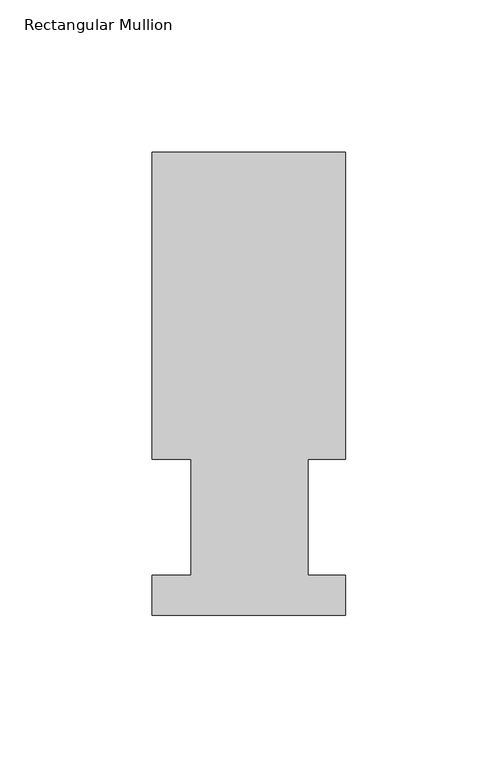
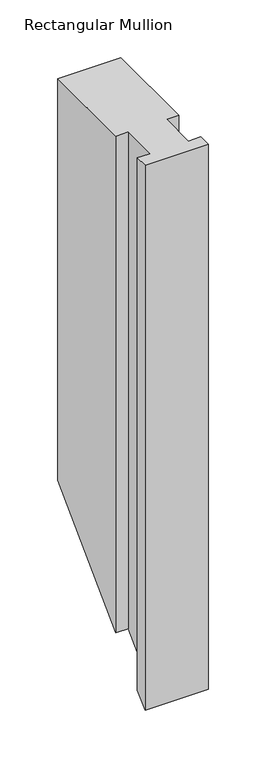
"""IFC4 building model written with IfcOpenShell, lengths in millimetres: member geometry, Rectangular Mullion."""

import ifcopenshell
import ifcopenshell.guid

model = None  # the IFC model being written
_history = None  # IfcOwnerHistory: only IFC2X3 demands one
_inside = {}  # id of a spatial element -> (the spatial element, [elements in it])
_under = {}  # id of a project, library or spatial element -> (it, [spatial elements below it])
_declared = {}  # id of a project -> (the project, [libraries it declares])
_typed = {}  # id of a type object -> (the type object, [elements of that type])
_made_of = {}  # id of a material, layer set ... -> (it, [elements and type objects made of it])


def new_model(schema):
    """Start an empty IFC model of exactly this schema.

    Asked for "IFC4X3", IfcOpenShell would pick the latest addendum, in which some entities
    have other attributes; the version numbers below select the first issue.
    IFC2X3 requires an IfcOwnerHistory on every rooted entity: one is made here for all.
    """
    global model, _history
    if schema == "IFC4X3":
        model = ifcopenshell.file(schema_version=(4, 3, 0, 0))
    else:
        model = ifcopenshell.file(schema=schema)
    _inside.clear()
    _under.clear()
    _declared.clear()
    _typed.clear()
    _made_of.clear()
    _history = None
    if model.schema == "IFC2X3":
        org = make("IfcOrganization", Name="unknown")
        user = make(
            "IfcPersonAndOrganization",
            ThePerson=make("IfcPerson", FamilyName="unknown"),
            TheOrganization=org,
        )
        app = make(
            "IfcApplication",
            ApplicationDeveloper=org,
            Version="unknown",
            ApplicationFullName="unknown",
            ApplicationIdentifier="unknown",
        )
        _history = make(
            "IfcOwnerHistory",
            OwningUser=user,
            OwningApplication=app,
            ChangeAction="ADDED",
            CreationDate=0,
        )
    return model


def make(cls, **values):
    """One entity of the class cls with the attributes given. An attribute that is None is left unset."""
    return model.create_entity(
        cls, **{name: value for name, value in values.items() if value is not None}
    )


def rooted(cls, **values):
    """An entity with a GlobalId (a new one), such as an element, a storey or a relation."""
    return make(cls, GlobalId=ifcopenshell.guid.new(), OwnerHistory=_history, **values)


def si_unit(unit_type, name, prefix=None):
    """IfcSIUnit, for example si_unit("LENGTHUNIT", "METRE", prefix="MILLI")."""
    return make("IfcSIUnit", UnitType=unit_type, Prefix=prefix, Name=name)


def assignment(units):
    """IfcUnitAssignment: the units of a project."""
    return None if units is None else make("IfcUnitAssignment", Units=units)


def point(xyz):
    """IfcCartesianPoint."""
    return None if xyz is None else make("IfcCartesianPoint", Coordinates=xyz)


def direction(xyz):
    """IfcDirection."""
    return None if xyz is None else make("IfcDirection", DirectionRatios=xyz)


def frame(location, z_axis=None, x_axis=None):
    """IfcAxis2Placement3D, a coordinate frame: its origin and axes. An axis left out is left unset."""
    return make(
        "IfcAxis2Placement3D",
        Location=point(location),
        Axis=direction(z_axis),
        RefDirection=direction(x_axis),
    )


def origin():
    """The frame at (0, 0, 0) with its axes left unset."""
    return frame((0.0, 0.0, 0.0))


def place(relative_to, where):
    """IfcLocalPlacement: puts the frame where relative to a parent placement (None: the world)."""
    return make(
        "IfcLocalPlacement", PlacementRelTo=relative_to, RelativePlacement=where
    )


def context(
    kind, dimensions, precision=None, world=None, true_north=None, identifier=None
):
    """IfcGeometricRepresentationContext, for example the 3D "Model" context."""
    return make(
        "IfcGeometricRepresentationContext",
        ContextIdentifier=identifier,
        ContextType=kind,
        CoordinateSpaceDimension=dimensions,
        Precision=precision,
        WorldCoordinateSystem=world,
        TrueNorth=true_north,
    )


def project(units=None, contexts=None):
    """IfcProject with its units and contexts."""
    return rooted(
        "IfcProject",
        Name="project",
        RepresentationContexts=contexts,
        UnitsInContext=assignment(units),
    )


def spatial(cls, under=None, at=None, **own):
    """A site, building, storey or space (cls), placed at a placement, below another one or the project."""
    s = rooted(cls, ObjectPlacement=at, **own)
    if under is not None:
        _under.setdefault(under.id(), (under, []))[1].append(s)
    return s


def faces_of(points, faces, orient=None, outer=None):
    """IfcFace entities. A face is a list of loops; a loop is a list of indices into points, from 0.

    orient and outer hold one flag for each loop. By default every Orientation is true, the
    first loop of a face is its IfcFaceOuterBound and the others are IfcFaceBound.
    """
    made = []
    for i, loops in enumerate(faces):
        bounds = []
        for j, loop in enumerate(loops):
            is_outer = j == 0 if outer is None else outer[i][j]
            bounds.append(
                make(
                    "IfcFaceOuterBound" if is_outer else "IfcFaceBound",
                    Bound=make("IfcPolyLoop", Polygon=[points[k] for k in loop]),
                    Orientation=True if orient is None else orient[i][j],
                )
            )
        made.append(make("IfcFace", Bounds=bounds))
    return made


def faceted_brep(points, faces, orient=None, outer=None, voids=None):
    """IfcFacetedBrep: a solid bounded by flat faces; with voids (closed shells), ...WithVoids."""
    shared = [point(p) for p in points]
    hull = make("IfcClosedShell", CfsFaces=faces_of(shared, faces, orient, outer))
    if voids is None:
        return make("IfcFacetedBrep", Outer=hull)
    return make(
        "IfcFacetedBrepWithVoids",
        Outer=hull,
        Voids=[
            make(cls, CfsFaces=faces_of(shared, fs, o, b)) for cls, fs, o, b in voids
        ],
    )


def shape(context_of_items, identifier, shape_type, items):
    """IfcShapeRepresentation: the items that make up one representation, for example the "Body"."""
    return make(
        "IfcShapeRepresentation",
        ContextOfItems=context_of_items,
        RepresentationIdentifier=identifier,
        RepresentationType=shape_type,
        Items=items,
    )


def source(mapping_origin, context_of_items, identifier, shape_type, items):
    """IfcRepresentationMap: a shape defined once, which mapped items show again and again."""
    return make(
        "IfcRepresentationMap",
        MappingOrigin=mapping_origin,
        MappedRepresentation=shape(context_of_items, identifier, shape_type, items),
    )


def transform(
    local_origin,
    x_axis=None,
    y_axis=None,
    z_axis=None,
    scale=None,
    scale2=None,
    scale3=None,
    uniform=True,
):
    """IfcCartesianTransformationOperator3D, or its non-uniform kind. x_axis, y_axis, z_axis: its Axis1, 2, 3."""
    if uniform:
        return make(
            "IfcCartesianTransformationOperator3D",
            Axis1=direction(x_axis),
            Axis2=direction(y_axis),
            LocalOrigin=point(local_origin),
            Scale=scale,
            Axis3=direction(z_axis),
        )
    return make(
        "IfcCartesianTransformationOperator3DnonUniform",
        Axis1=direction(x_axis),
        Axis2=direction(y_axis),
        LocalOrigin=point(local_origin),
        Scale=scale,
        Axis3=direction(z_axis),
        Scale2=scale2,
        Scale3=scale3,
    )


def mapped(mapping_source, mapping_target):
    """IfcMappedItem: shows the shape of a source again, moved by a transform."""
    return make(
        "IfcMappedItem", MappingSource=mapping_source, MappingTarget=mapping_target
    )


def made_of(thing, what):
    """Note that an element or type object is made of a material, layer set ...; save() writes the relation."""
    if what is not None:
        _made_of.setdefault(what.id(), (what, []))[1].append(thing)
    return thing


def element(
    cls,
    number,
    at=None,
    inside=None,
    cuts=None,
    type_object=None,
    material=None,
    context=None,
    identifier="Body",
    shape_type=None,
    held_by="IfcProductDefinitionShape",
    body=None,
    shapes=None,
    **own,
):
    """One element of the class cls, such as IfcWall. Its Tag is "e" and its number.

    at: its placement. inside: the storey or other place that contains it. cuts: it is an
    opening in that element (IfcRelVoidsElement). A single representation is given by context,
    identifier, shape_type and body (its items); several are given by shapes. held_by: the class
    of the entity that holds the representations. save() writes the other relations.
    """
    e = rooted(cls, Tag="e%d" % number, ObjectPlacement=at, **own)
    if body is not None:
        shapes = [shape(context, identifier, shape_type, body)]
    if shapes is not None:
        e.Representation = make(held_by, Representations=shapes)
    if inside is not None:
        _inside.setdefault(inside.id(), (inside, []))[1].append(e)
    if cuts is not None:
        rooted(
            "IfcRelVoidsElement", RelatingBuildingElement=cuts, RelatedOpeningElement=e
        )
    if type_object is not None:
        _typed.setdefault(type_object.id(), (type_object, []))[1].append(e)
    return made_of(e, material)


def aggregate(whole, parts):
    """IfcRelAggregates: a whole, such as a stair, and the parts it consists of."""
    return rooted("IfcRelAggregates", RelatingObject=whole, RelatedObjects=parts)


def save(model, path):
    """Write the relations noted so far, then the file.

    IfcRelAggregates (storeys below a building ...), IfcRelContainedInSpatialStructure (elements
    in a storey), IfcRelDefinesByType, IfcRelAssociatesMaterial and IfcRelDeclares: one each for
    every whole, place, type object, material and project.
    """
    for whole, parts in _under.values():
        aggregate(whole, parts)
    for where, things in _inside.values():
        rooted(
            "IfcRelContainedInSpatialStructure",
            RelatedElements=things,
            RelatingStructure=where,
        )
    for kind, things in _typed.values():
        rooted("IfcRelDefinesByType", RelatedObjects=things, RelatingType=kind)
    for what, things in _made_of.values():
        rooted("IfcRelAssociatesMaterial", RelatedObjects=things, RelatingMaterial=what)
    for by, libraries in _declared.values():
        rooted("IfcRelDeclares", RelatingContext=by, RelatedDefinitions=libraries)
    model.write(path)


def rectangular_mullion_4dd8b868(model_context):
    return source(origin(), model_context, "Body", "Brep", [
        faceted_brep([(0.0, 151.9816937, 0.0), (-63.5, 151.9816937, 0.0), (-63.5, 51.2960938, 0.0), (-50.8, 51.2960938, 0.0), (-50.8, 13.1960937, 0.0), (-63.5, 13.1960937, 0.0), (-63.5, 0.0134937, 0.0), (0.0, 0.0134937, 0.0), (0.0, 13.1960937, 0.0), (-12.3418395, 13.1960937, 0.0), (-12.3418395, 51.2960937, 0.0), (0.0, 51.2960938, 0.0), (0.0, 151.9816937, -425.8683063), (-63.5, 151.9816937, -425.8683063), (-63.5, 51.2960938, -526.5539063), (-50.8, 51.2960938, -526.5539063), (-50.8, 13.1960937, -564.6539063), (-63.5, 13.1960937, -564.6539063), (-63.5, 0.0134937, -577.8365063), (0.0, 0.0134937, -577.8365063), (0.0, 13.1960937, -564.6539063), (-12.3418395, 13.1960937, -564.6539063), (-12.3418395, 51.2960937, -526.5539063), (0.0, 51.2960937, -526.5539063)], [[[0, 1, 2, 3, 4, 5, 6, 7, 8, 9, 10, 11]], [[1, 0, 12, 13]], [[2, 1, 13, 14]], [[3, 2, 14, 15]], [[4, 3, 15, 16]], [[5, 4, 16, 17]], [[6, 5, 17, 18]], [[7, 6, 18, 19]], [[8, 7, 19, 20]], [[9, 8, 20, 21]], [[10, 9, 21, 22]], [[11, 10, 22, 23]], [[0, 11, 23, 12]], [[12, 23, 22, 21, 20, 19, 18, 17, 16, 15, 14, 13]]]),
    ])


if __name__ == "__main__":
    model = new_model("IFC4")
    model_context = context("Model", 3, world=origin())
    ifc_project = project(units=[si_unit("LENGTHUNIT", "METRE", prefix="MILLI")], contexts=[model_context])
    site = spatial("IfcSite", under=ifc_project)
    building = spatial("IfcBuilding", under=site)
    placement = place(None, origin())
    rectangular_mullion_shape = rectangular_mullion_4dd8b868(model_context)
    element("IfcMember", 1, ObjectType="Rectangular Mullion", at=placement, inside=building, context=model_context, shape_type="MappedRepresentation", body=[
        mapped(rectangular_mullion_shape, transform((0.0, 0.0, 0.0), x_axis=(1.0, 0.0, 0.0), y_axis=(0.0, 1.0, 0.0), z_axis=(0.0, 0.0, 1.0))),
    ])
    save(model, "model.ifc")
